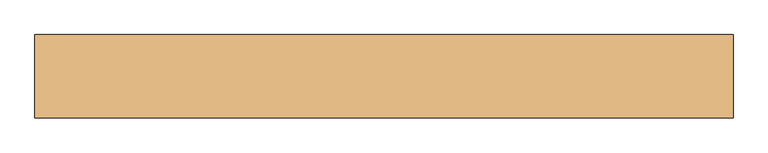
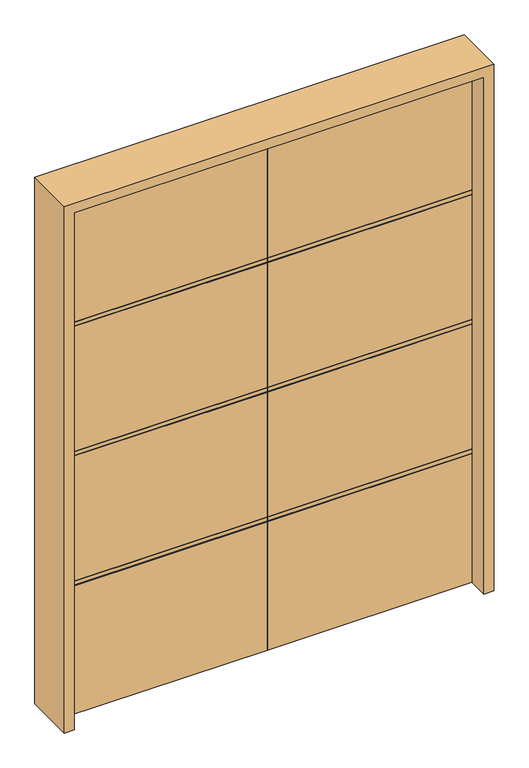
"""IFC4 building model written with IfcOpenShell, lengths in millimetres: door geometry."""

from ifc_helpers import new_model, si_unit, frame, origin, place, context, project, spatial, polyline, outline, extrude, source, transform, mapped, element, save


def door_7ad66f90(model_context):
    return source(origin(), model_context, "Body", "SweptSolid", [
        extrude(outline(polyline([(22.225, 2438.4), (22.225, 1850.898), (18.923, 1850.898), (18.923, 1847.596), (22.225, 1847.596), (22.225, 1830.832), (18.923, 1830.832), (18.923, 1827.53), (22.225, 1827.53), (22.225, 1240.028), (18.923, 1240.028), (18.923, 1236.726), (22.225, 1236.726), (22.225, 1219.962), (18.923, 1219.962), (18.923, 1216.66), (22.225, 1216.66), (22.225, 629.158), (18.923, 629.158), (18.923, 625.856), (22.225, 625.856), (22.225, 609.092), (18.923, 609.092), (18.923, 605.79), (22.225, 605.79), (22.225, 0.0), (-22.225, 0.0), (-22.225, 605.79), (-18.923, 605.79), (-18.923, 609.092), (-22.225, 609.092), (-22.225, 625.856), (-18.923, 625.856), (-18.923, 629.158), (-22.225, 629.158), (-22.225, 1216.66), (-18.923, 1216.66), (-18.923, 1219.962), (-22.225, 1219.962), (-22.225, 1236.726), (-18.923, 1236.726), (-18.923, 1240.028), (-22.225, 1240.028), (-22.225, 1827.53), (-18.923, 1827.53), (-18.923, 1830.832), (-22.225, 1830.832), (-22.225, 1847.596), (-18.923, 1847.596), (-18.923, 1850.898), (-22.225, 1850.898), (-22.225, 2438.4), (22.225, 2438.4)])), frame((-914.4, 0.0, 0.0), z_axis=(1.0, 0.0, 0.0), x_axis=(0.0, 1.0, 0.0)), (0.0, 0.0, 1.0), 914.4),
        extrude(outline(polyline([(-22.225, 2438.4), (22.225, 2438.4), (22.225, 1850.898), (18.923, 1850.898), (18.923, 1847.596), (22.225, 1847.596), (22.225, 1830.832), (18.923, 1830.832), (18.923, 1827.53), (22.225, 1827.53), (22.225, 1240.028), (18.923, 1240.028), (18.923, 1236.726), (22.225, 1236.726), (22.225, 1219.962), (18.923, 1219.962), (18.923, 1216.66), (22.225, 1216.66), (22.225, 629.158), (18.923, 629.158), (18.923, 625.856), (22.225, 625.856), (22.225, 609.092), (18.923, 609.092), (18.923, 605.79), (22.225, 605.79), (22.225, 0.0), (-22.225, 0.0), (-22.225, 605.79), (-18.923, 605.79), (-18.923, 609.092), (-22.225, 609.092), (-22.225, 625.856), (-18.923, 625.856), (-18.923, 629.158), (-22.225, 629.158), (-22.225, 1216.66), (-18.923, 1216.66), (-18.923, 1219.962), (-22.225, 1219.962), (-22.225, 1236.726), (-18.923, 1236.726), (-18.923, 1240.028), (-22.225, 1240.028), (-22.225, 1827.53), (-18.923, 1827.53), (-18.923, 1830.832), (-22.225, 1830.832), (-22.225, 1847.596), (-18.923, 1847.596), (-18.923, 1850.898), (-22.225, 1850.898), (-22.225, 2438.4)])), frame((0.0, 0.0, 0.0), z_axis=(1.0, 0.0, 0.0), x_axis=(0.0, 1.0, 0.0)), (0.0, 0.0, 1.0), 914.4),
        extrude(outline(polyline([(0.0, -914.4), (2438.4, -914.4), (2438.4, 914.4), (0.0, 914.4), (0.0, 958.85), (2482.85, 958.85), (2482.85, -958.85), (0.0, -958.85), (0.0, -914.4)])), frame((0.0, -114.3, 0.0), z_axis=(0.0, 1.0, 0.0), x_axis=(0.0, 0.0, 1.0)), (0.0, 0.0, 1.0), 228.6),
    ])


if __name__ == "__main__":
    model = new_model("IFC4")
    model_context = context("Model", 3, world=origin())
    ifc_project = project(units=[si_unit("LENGTHUNIT", "METRE", prefix="MILLI")], contexts=[model_context])
    site = spatial("IfcSite", under=ifc_project)
    building = spatial("IfcBuilding", under=site)
    placement = place(None, origin())
    door_shape = door_7ad66f90(model_context)
    element("IfcDoor", 1, at=placement, inside=building, context=model_context, shape_type="MappedRepresentation", body=[
        mapped(door_shape, transform((0.0, 0.0, 0.0), x_axis=(1.0, 0.0, 0.0), y_axis=(0.0, 1.0, 0.0), z_axis=(0.0, 0.0, 1.0))),
    ])
    save(model, "model.ifc")
